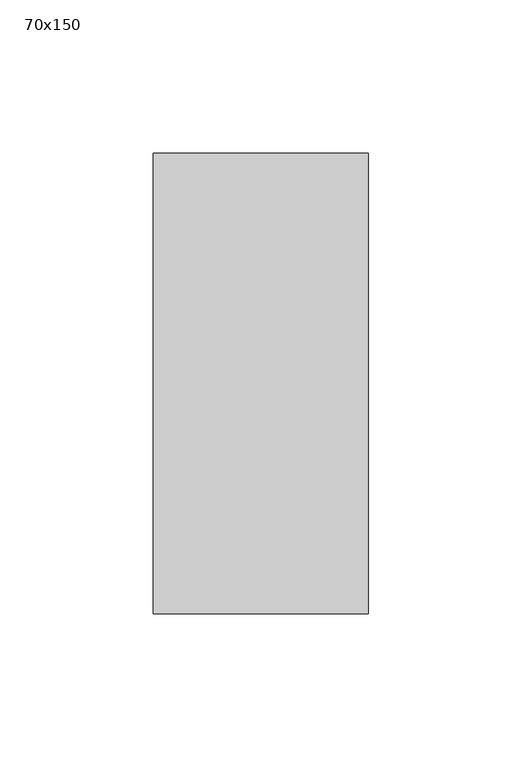
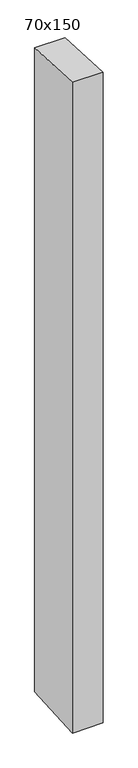
"""IFC4 building model written with IfcOpenShell, lengths in millimetres: member geometry, 70x150."""

from ifc_helpers import new_model, si_unit, frame, origin, place, context, project, spatial, polyline, outline, extrude, source, transform, mapped, element, save


def member_70x150_fe2709cc(model_context):
    return source(origin(), model_context, "Body", "SweptSolid", [
        extrude(outline(polyline([(-75.0, 3.3039376), (75.0, -3.3039376), (75.0, -1566.2284052), (-75.0, -1575.8951104), (-75.0, 3.3039376)])), frame((-70.0, 0.0, 0.0), z_axis=(1.0, 0.0, 0.0), x_axis=(0.0, 1.0, 0.0)), (0.0, 0.0, 1.0), 70.0),
    ])


if __name__ == "__main__":
    model = new_model("IFC4")
    model_context = context("Model", 3, world=origin())
    ifc_project = project(units=[si_unit("LENGTHUNIT", "METRE", prefix="MILLI")], contexts=[model_context])
    site = spatial("IfcSite", under=ifc_project)
    building = spatial("IfcBuilding", under=site)
    placement = place(None, origin())
    member_70x150_shape = member_70x150_fe2709cc(model_context)
    element("IfcMember", 1, ObjectType="70x150", at=placement, inside=building, context=model_context, shape_type="MappedRepresentation", body=[
        mapped(member_70x150_shape, transform((0.0, 0.0, 0.0), x_axis=(1.0, 0.0, 0.0), y_axis=(0.0, 1.0, 0.0), z_axis=(0.0, 0.0, 1.0))),
    ])
    save(model, "model.ifc")
